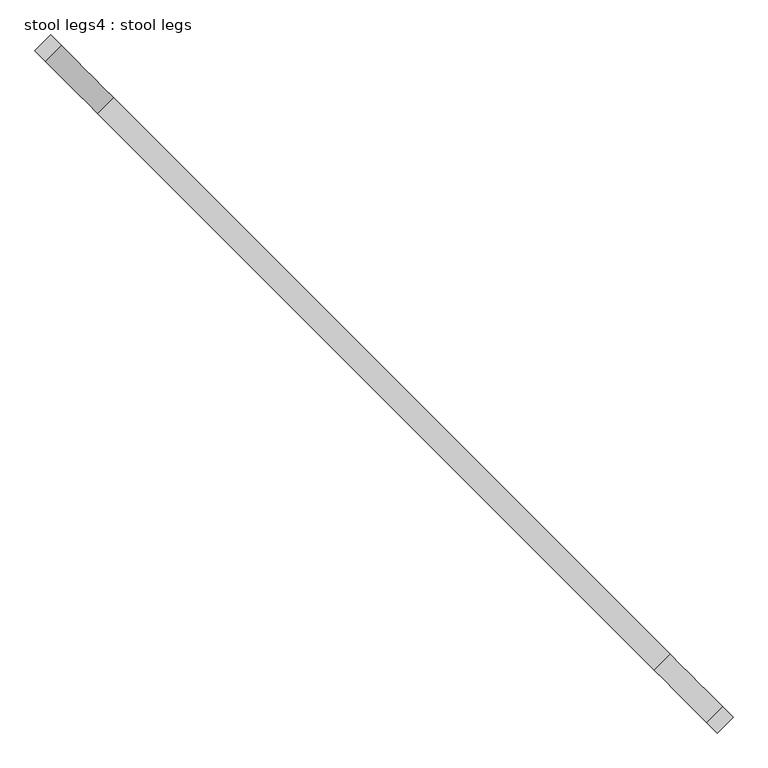
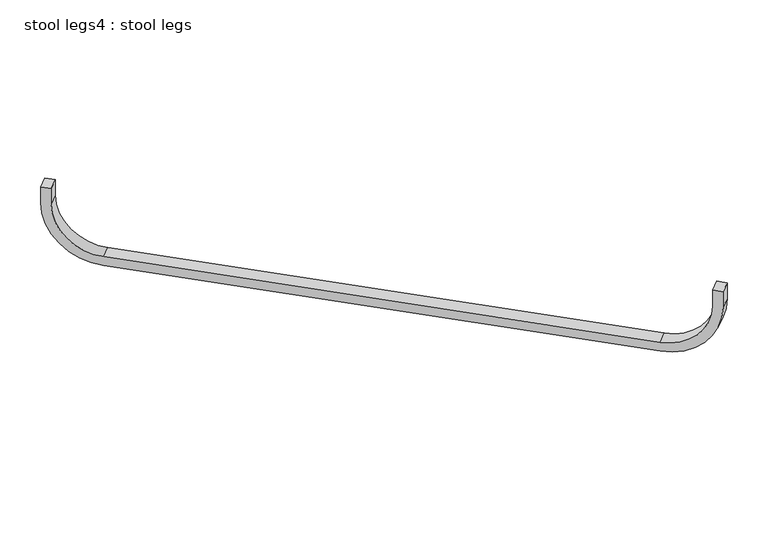
"""IFC4 building model written with IfcOpenShell, lengths in millimetres: furniture geometry, stool legs4 : stool legs."""

from ifc_helpers import new_model, si_unit, point, frame, frame_2d, origin, place, context, project, spatial, polyline, circle_curve, trimmed, segment, composite_curve, outline, extrude, source, transform, mapped, element, save


def stool_legs4_stool_legs_1d0553c1(model_context):
    return source(origin(), model_context, "Body", "SweptSolid", [
        extrude(outline(composite_curve([segment(trimmed(circle_curve(frame_2d((44.45, 127.0)), 127.0), [point((44.45, 0.0))], [point((171.45, 127.0))], True, "CARTESIAN"), True, "CONTINUOUS"), segment(polyline([(171.45, 127.0), (171.45, 1473.1999999)]), True, "CONTINUOUS"), segment(trimmed(circle_curve(frame_2d((44.45, 1473.1999999)), 127.0), [point((171.45, 1473.1999999))], [point((44.45, 1600.2))], True, "CARTESIAN"), True, "CONTINUOUS"), segment(polyline([(44.45, 1600.2), (0.0, 1600.2), (0.0, 1625.6), (44.45, 1625.6)]), True, "CONTINUOUS"), segment(trimmed(circle_curve(frame_2d((44.45, 1473.1999999)), 152.4), [point((44.45, 1625.6))], [point((196.85, 1473.1999999))], False, "CARTESIAN"), True, "CONTINUOUS"), segment(polyline([(196.85, 1473.1999999), (196.85, 127.0)]), True, "CONTINUOUS"), segment(trimmed(circle_curve(frame_2d((44.45, 127.0)), 152.4), [point((196.85, 127.0))], [point((44.45, -25.3999999))], False, "CARTESIAN"), True, "CONTINUOUS"), segment(polyline([(44.45, -25.3999999), (0.0, -25.3999999), (0.0, 0.0), (44.45, 0.0)]), True, "CONTINUOUS")], self_intersect=False)), frame((2883.5144268, 21498.2055735, 457.2), z_axis=(0.7071067811865264, 0.7071067811865687, 0.0), x_axis=(0.0, 0.0, -1.0)), (0.0, 0.0, 1.0), 38.1),
    ])


if __name__ == "__main__":
    model = new_model("IFC4")
    model_context = context("Model", 3, world=origin())
    ifc_project = project(units=[si_unit("LENGTHUNIT", "METRE", prefix="MILLI")], contexts=[model_context])
    site = spatial("IfcSite", under=ifc_project)
    building = spatial("IfcBuilding", under=site)
    placement = place(None, origin())
    stool_legs4_stool_legs_shape = stool_legs4_stool_legs_1d0553c1(model_context)
    element("IfcFurniture", 1, ObjectType="stool legs4 : stool legs", at=placement, inside=building, context=model_context, shape_type="MappedRepresentation", body=[
        mapped(stool_legs4_stool_legs_shape, transform((0.0, 0.0, 0.0), x_axis=(1.0, 0.0, 0.0), y_axis=(0.0, 1.0, 0.0), z_axis=(0.0, 0.0, 1.0))),
    ])
    save(model, "model.ifc")
